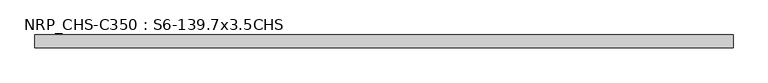
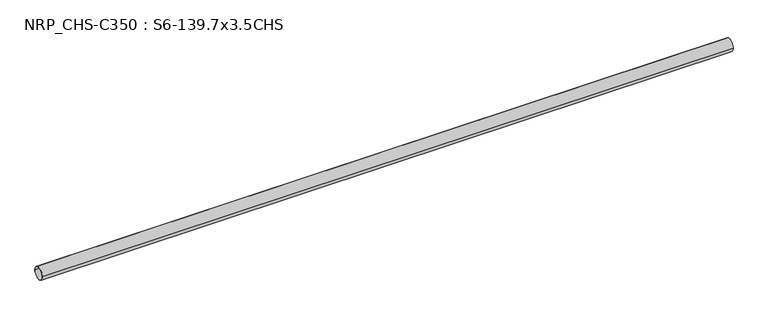
"""IFC4 building model written with IfcOpenShell, lengths in millimetres: beam geometry, NRP_CHS-C350 : S6-139.7x3.5CHS."""

from ifc_helpers import new_model, si_unit, point, frame, origin, origin_2d, place, context, project, spatial, circle_curve, trimmed, segment, composite_curve, outline, extrude, source, transform, mapped, element, save


def nrp_chs_c350_s6_139_7x3_5chs_4ecefd1f(model_context):
    return source(origin(), model_context, "Body", "SweptSolid", [
        extrude(outline(composite_curve([segment(trimmed(circle_curve(origin_2d(), 69.85), [point((69.85, 0.0))], [point((-69.85, 0.0))], False, "CARTESIAN"), True, "CONTINUOUS"), segment(trimmed(circle_curve(origin_2d(), 69.85), [point((-69.85, 0.0))], [point((69.85, 0.0))], False, "CARTESIAN"), True, "CONTINUOUS")], self_intersect=False), holes=[composite_curve([segment(trimmed(circle_curve(origin_2d(), 66.35), [point((-66.35, 0.0))], [point((66.35, 0.0))], True, "CARTESIAN"), True, "CONTINUOUS"), segment(trimmed(circle_curve(origin_2d(), 66.35), [point((66.35, 0.0))], [point((-66.35, 0.0))], True, "CARTESIAN"), True, "CONTINUOUS")], self_intersect=False)]), frame((-3786.15, 0.0, 0.0), z_axis=(1.0, 0.0, 0.0), x_axis=(0.0, 1.0, 0.0)), (0.0, 0.0, 1.0), 7584.8),
    ])


if __name__ == "__main__":
    model = new_model("IFC4")
    model_context = context("Model", 3, world=origin())
    ifc_project = project(units=[si_unit("LENGTHUNIT", "METRE", prefix="MILLI")], contexts=[model_context])
    site = spatial("IfcSite", under=ifc_project)
    building = spatial("IfcBuilding", under=site)
    placement = place(None, origin())
    nrp_chs_c350_s6_139_7x3_5chs_shape = nrp_chs_c350_s6_139_7x3_5chs_4ecefd1f(model_context)
    element("IfcBeam", 1, ObjectType="NRP_CHS-C350 : S6-139.7x3.5CHS", at=placement, inside=building, context=model_context, shape_type="MappedRepresentation", body=[
        mapped(nrp_chs_c350_s6_139_7x3_5chs_shape, transform((0.0, 0.0, 0.0), x_axis=(1.0, 0.0, 0.0), y_axis=(0.0, 1.0, 0.0), z_axis=(0.0, 0.0, 1.0))),
    ])
    save(model, "model.ifc")
